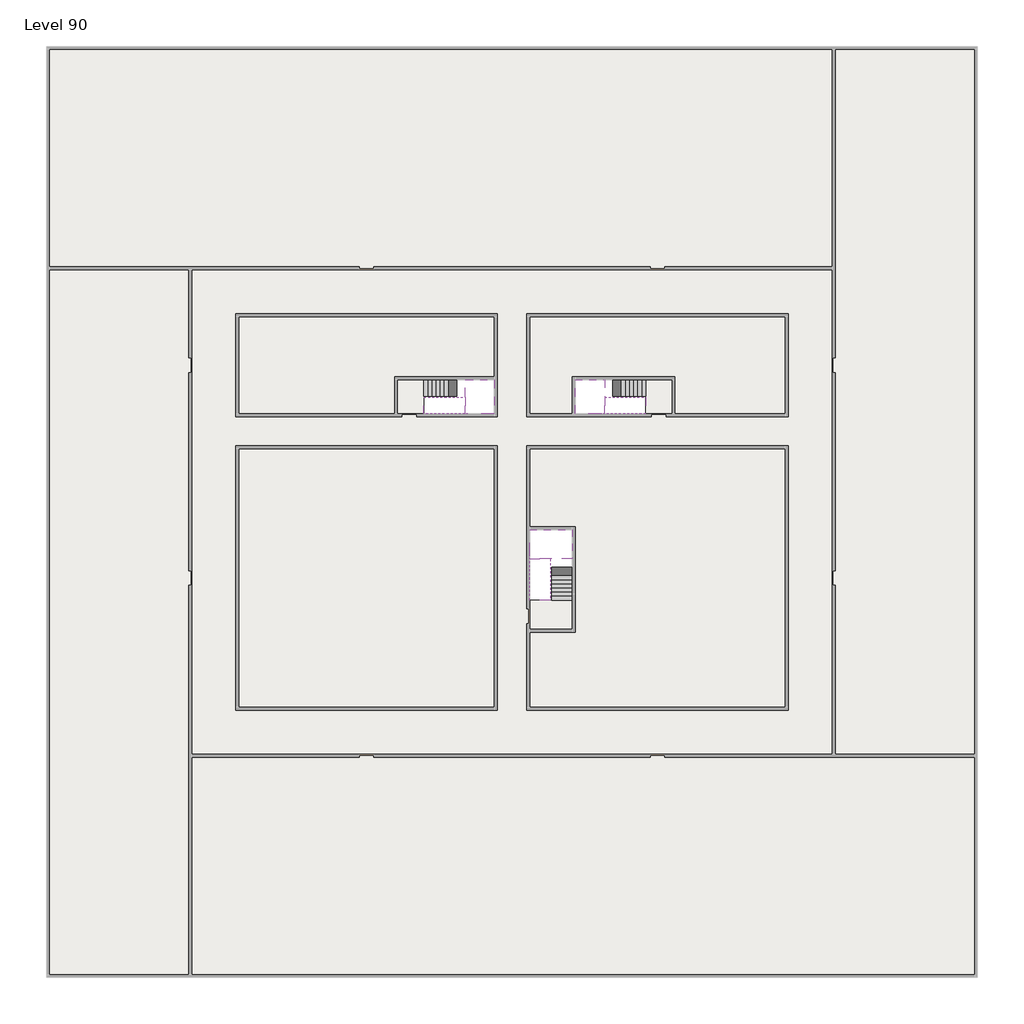
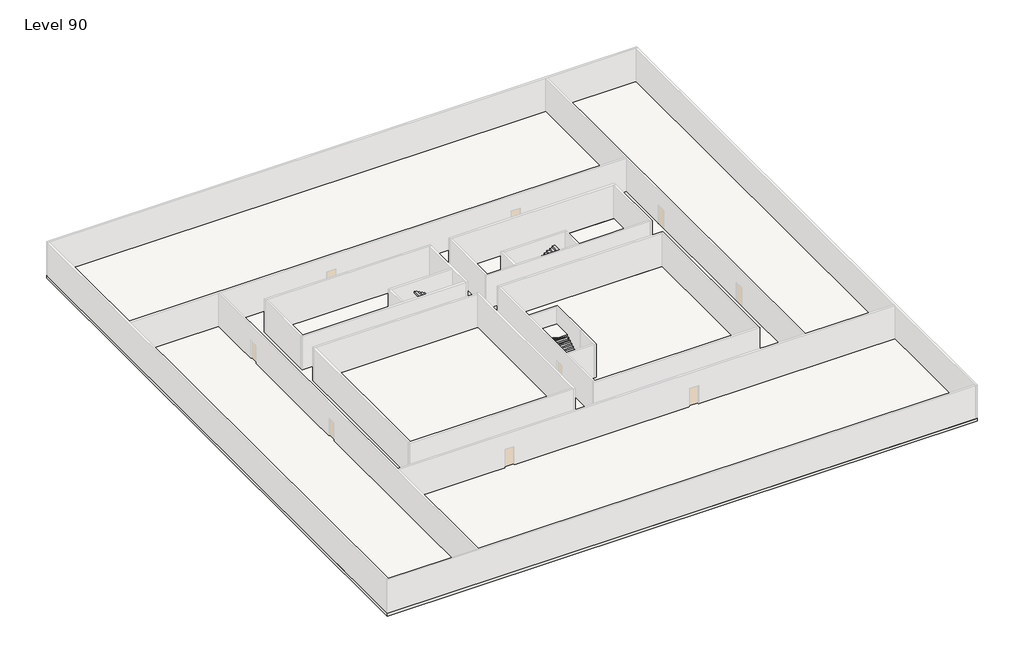
# One storey, part 2 of 2: 6 slabs, 6 stair flights.
"""IFC4 building model written with IfcOpenShell, lengths in millimetres."""

from ifc_helpers import new_model, si_unit, frame, origin, place, context, project, spatial, polyline, outline, extrude, faceted_brep, element, save

model = new_model("IFC4")

# Units and contexts
model_context = context("Model", 3, world=origin())
ifc_project = project(units=[si_unit("LENGTHUNIT", "METRE", prefix="MILLI")], contexts=[model_context])

# Site, building, storey
site = spatial("IfcSite", under=ifc_project)
building = spatial("IfcBuilding", under=site)
storey = spatial("IfcBuildingStorey", under=building, Name="Level 90", Elevation=338200.0)

# Slabs
placement = place(None, origin())
element("IfcSlab", 1, at=placement, inside=storey, context=model_context, shape_type="SweptSolid", body=[
    extrude(outline(polyline([(55890.1058784, -5518.09644), (55890.1058784, -68918.09644), (-7509.8941216, -68918.09644), (-7509.8941216, -5518.09644), (55890.1058784, -5518.09644)]), holes=[polyline([(22990.1058784, -23918.09644), (5590.1058784, -23918.09644), (5590.1058784, -30518.09644), (22990.1058784, -30518.09644), (22990.1058784, -23918.09644)]), polyline([(42990.1058784, -23918.09644), (25390.1058784, -23918.09644), (25390.1058784, -30518.09644), (42990.1058784, -30518.09644), (42990.1058784, -23918.09644)]), polyline([(25390.1058784, -50518.09644), (42790.1058784, -50518.09644), (42790.1058784, -32918.09644), (25390.1058784, -32918.09644), (25390.1058784, -50518.09644)]), polyline([(22990.1058784, -32918.09644), (5590.1058784, -32918.09644), (5590.1058784, -50518.09644), (22990.1058784, -50518.09644), (22990.1058784, -32918.09644)])]), frame((0.0, 0.0, 337900.0), z_axis=(0.0, 0.0, 1.0), x_axis=(1.0, 0.0, 0.0)), (0.0, 0.0, 1.0), 300.0),
])
element("IfcSlab", 2, at=placement, inside=storey, context=model_context, shape_type="SweptSolid", body=[
    extrude(outline(polyline([(22990.1058784, -23918.09644), (22990.1058784, -28018.09644), (16190.1058784, -28018.09644), (16190.1058784, -30518.09644), (5590.1058784, -30518.09644), (5590.1058784, -23918.09644), (22990.1058784, -23918.09644)])), frame((0.0, 0.0, 337900.0), z_axis=(0.0, 0.0, 1.0), x_axis=(1.0, 0.0, 0.0)), (0.0, 0.0, 1.0), 300.0),
    extrude(outline(polyline([(42790.1058784, -23918.09644), (42790.1058784, -30518.09644), (35290.1058784, -30518.09644), (35290.1058784, -28018.09644), (28490.1058784, -28018.09644), (28490.1058784, -30518.09644), (25390.1058784, -30518.09644), (25390.1058784, -23918.09644), (42790.1058784, -23918.09644)])), frame((0.0, 0.0, 337900.0), z_axis=(0.0, 0.0, 1.0), x_axis=(1.0, 0.0, 0.0)), (0.0, 0.0, 1.0), 300.0),
    extrude(outline(polyline([(22990.1058784, -32918.09644), (22990.1058784, -50518.09644), (5590.1058784, -50518.09644), (5590.1058784, -32918.09644), (22990.1058784, -32918.09644)])), frame((0.0, 0.0, 337900.0), z_axis=(0.0, 0.0, 1.0), x_axis=(1.0, 0.0, 0.0)), (0.0, 0.0, 1.0), 300.0),
    extrude(outline(polyline([(25390.1058784, -38218.09644), (25390.1058784, -32918.09644), (42790.1058784, -32918.09644), (42790.1058784, -50518.09644), (25390.1058784, -50518.09644), (25390.1058784, -45418.09644), (28490.1058784, -45418.09644), (28490.1058784, -38218.09644), (25390.1058784, -38218.09644)])), frame((0.0, 0.0, 337900.0), z_axis=(0.0, 0.0, 1.0), x_axis=(1.0, 0.0, 0.0)), (0.0, 0.0, 1.0), 300.0),
])
element("IfcSlab", 3, at=placement, inside=storey, context=model_context, shape_type="Brep", body=[
    faceted_brep([(26890.1058784, -40418.09644, 340100.0), (28290.1058784, -40418.09644, 340100.0), (28290.1058784, -40338.7100038, 340100.0), (28290.1058784, -38418.09644, 340100.0), (25390.1058784, -38418.09644, 340100.0), (25390.1058784, -40217.4828763, 340100.0), (25390.1058784, -40418.09644, 340100.0), (26790.1058784, -40418.09644, 340100.0), (26890.1058784, -40418.09644, 339800.0), (26890.1058784, -40418.09644, 339751.0278478), (28290.1058784, -40418.09644, 339751.0278478), (28290.1058784, -40418.09644, 339927.2727273), (28290.1058784, -40338.7100038, 339800.0), (28290.1058784, -38418.09644, 339800.0), (25390.1058784, -38418.09644, 339800.0), (25390.1058784, -40217.4828763, 339800.0), (25390.1058784, -40418.09644, 339923.7551205), (26790.1058784, -40418.09644, 339923.7551205), (26790.1058784, -40418.09644, 339800.0), (26790.1058784, -40217.4828763, 339800.0), (26890.1058784, -40338.7100038, 339800.0)], [[[0, 1, 2, 3, 4, 5, 6, 7]], [[1, 0, 8, 9, 10, 11]], [[1, 11, 10, 12, 13, 3, 2]], [[4, 3, 13, 14]], [[4, 14, 15, 16, 6, 5]], [[7, 6, 16, 17]], [[0, 7, 17, 18, 8]], [[18, 19, 15, 14, 13, 12, 20, 8]], [[19, 18, 17]], [[20, 12, 10, 9]], [[8, 20, 9]], [[15, 19, 17, 16]]]),
])
element("IfcSlab", 4, at=placement, inside=storey, context=model_context, shape_type="Brep", body=[
    faceted_brep([(20990.1058784, -28218.09644, 340100.0), (20990.1058784, -29318.09644, 340100.0), (20990.1058784, -29418.09644, 340100.0), (20990.1058784, -30518.09644, 340100.0), (21190.7194421, -30518.09644, 340100.0), (22990.1058784, -30518.09644, 340100.0), (22990.1058784, -28218.09644, 340100.0), (21069.4923146, -28218.09644, 340100.0), (20990.1058784, -28218.09644, 339927.2727273), (20990.1058784, -28218.09644, 339751.0278478), (20990.1058784, -29318.09644, 339751.0278478), (20990.1058784, -29318.09644, 339800.0), (20990.1058784, -29418.09644, 339800.0), (20990.1058784, -29418.09644, 339923.7551205), (20990.1058784, -30518.09644, 339923.7551205), (21190.7194421, -30518.09644, 339800.0), (22990.1058784, -30518.09644, 339800.0), (22990.1058784, -28218.09644, 339800.0), (21069.4923146, -28218.09644, 339800.0), (21190.7194421, -29418.09644, 339800.0), (21069.4923146, -29318.09644, 339800.0)], [[[0, 1, 2, 3, 4, 5, 6, 7]], [[1, 0, 8, 9, 10, 11]], [[2, 1, 11, 12, 13]], [[3, 2, 13, 14]], [[3, 14, 15, 16, 5, 4]], [[6, 5, 16, 17]], [[9, 8, 0, 7, 6, 17, 18]], [[19, 12, 11, 20, 18, 17, 16, 15]], [[12, 19, 13]], [[18, 20, 10, 9]], [[20, 11, 10]], [[19, 15, 14, 13]]]),
])
element("IfcSlab", 5, at=placement, inside=storey, context=model_context, shape_type="Brep", body=[
    faceted_brep([(30490.1058784, -29318.09644, 340100.0), (30490.1058784, -28218.09644, 340100.0), (30410.7194421, -28218.09644, 340100.0), (28490.1058784, -28218.09644, 340100.0), (28490.1058784, -30518.09644, 340100.0), (30289.4923146, -30518.09644, 340100.0), (30490.1058784, -30518.09644, 340100.0), (30490.1058784, -29418.09644, 340100.0), (30490.1058784, -29318.09644, 339800.0), (30490.1058784, -29318.09644, 339751.0278478), (30490.1058784, -28218.09644, 339751.0278478), (30490.1058784, -28218.09644, 339927.2727273), (30490.1058784, -29418.09644, 339923.7551205), (30490.1058784, -29418.09644, 339800.0), (30490.1058784, -30518.09644, 339923.7551205), (28490.1058784, -30518.09644, 339800.0), (30289.4923146, -30518.09644, 339800.0), (28490.1058784, -28218.09644, 339800.0), (30410.7194421, -28218.09644, 339800.0), (30289.4923146, -29418.09644, 339800.0), (30410.7194421, -29318.09644, 339800.0)], [[[0, 1, 2, 3, 4, 5, 6, 7]], [[1, 0, 8, 9, 10, 11]], [[0, 7, 12, 13, 8]], [[7, 6, 14, 12]], [[4, 15, 16, 14, 6, 5]], [[4, 3, 17, 15]], [[1, 11, 10, 18, 17, 3, 2]], [[13, 19, 16, 15, 17, 18, 20, 8]], [[20, 18, 10, 9]], [[8, 20, 9]], [[16, 19, 12, 14]], [[19, 13, 12]]]),
])
element("IfcSlab", 6, at=placement, inside=storey, context=model_context, shape_type="SweptSolid", body=[
    extrude(outline(polyline([(35090.1058784, -28218.09644), (35090.1058784, -30518.09644), (33290.1058784, -30518.09644), (33290.1058784, -28218.09644), (35090.1058784, -28218.09644)])), frame((0.0, 0.0, 337900.0), z_axis=(0.0, 0.0, 1.0), x_axis=(1.0, 0.0, 0.0)), (0.0, 0.0, 1.0), 300.0),
    extrude(outline(polyline([(18190.1058784, -28218.09644), (18190.1058784, -30518.09644), (16390.1058784, -30518.09644), (16390.1058784, -28218.09644), (18190.1058784, -28218.09644)])), frame((0.0, 0.0, 337900.0), z_axis=(0.0, 0.0, 1.0), x_axis=(1.0, 0.0, 0.0)), (0.0, 0.0, 1.0), 300.0),
    extrude(outline(polyline([(28290.1058784, -43218.09644), (28290.1058784, -45218.09644), (25390.1058784, -45218.09644), (25390.1058784, -43218.09644), (28290.1058784, -43218.09644)])), frame((0.0, 0.0, 337900.0), z_axis=(0.0, 0.0, 1.0), x_axis=(1.0, 0.0, 0.0)), (0.0, 0.0, 1.0), 300.0),
])

# Stair flights
element("IfcStairFlight", 7, at=placement, inside=storey, context=model_context, shape_type="Brep", body=[
    faceted_brep([(26890.1058784, -42938.09644, 338372.7272727), (26890.1058784, -43218.09644, 338372.7272727), (28290.1058784, -43218.09644, 338372.7272727), (28290.1058784, -42938.09644, 338372.7272727), (26890.1058784, -42938.09644, 338200.0), (26890.1058784, -43218.09644, 338200.0), (28290.1058784, -43218.09644, 338200.0), (28290.1058784, -42938.09644, 338200.0), (26890.1058784, -42658.09644, 338545.4545455), (26890.1058784, -42938.09644, 338545.4545455), (28290.1058784, -42938.09644, 338545.4545455), (28290.1058784, -42658.09644, 338545.4545455), (26890.1058784, -42658.09644, 338369.209666), (26890.1058784, -42932.3942143, 338200.0), (28290.1058784, -42932.3942143, 338200.0), (28290.1058784, -42658.09644, 338369.209666), (26890.1058784, -42378.09644, 338718.1818182), (26890.1058784, -42658.09644, 338718.1818182), (28290.1058784, -42658.09644, 338718.1818182), (28290.1058784, -42378.09644, 338718.1818182), (26890.1058784, -42378.09644, 338541.9369387), (28290.1058784, -42378.09644, 338541.9369387), (26890.1058784, -42098.09644, 338890.9090909), (26890.1058784, -42378.09644, 338890.9090909), (28290.1058784, -42378.09644, 338890.9090909), (28290.1058784, -42098.09644, 338890.9090909), (26890.1058784, -42098.09644, 338714.6642114), (28290.1058784, -42098.09644, 338714.6642114), (26890.1058784, -41818.09644, 339063.6363636), (26890.1058784, -42098.09644, 339063.6363636), (28290.1058784, -42098.09644, 339063.6363636), (28290.1058784, -41818.09644, 339063.6363636), (26890.1058784, -41818.09644, 338887.3914841), (28290.1058784, -41818.09644, 338887.3914841), (26890.1058784, -41538.09644, 339236.3636364), (26890.1058784, -41818.09644, 339236.3636364), (28290.1058784, -41818.09644, 339236.3636364), (28290.1058784, -41538.09644, 339236.3636364), (26890.1058784, -41538.09644, 339060.1187569), (28290.1058784, -41538.09644, 339060.1187569), (26890.1058784, -41258.09644, 339409.0909091), (26890.1058784, -41538.09644, 339409.0909091), (28290.1058784, -41538.09644, 339409.0909091), (28290.1058784, -41258.09644, 339409.0909091), (26890.1058784, -41258.09644, 339232.8460296), (28290.1058784, -41258.09644, 339232.8460296), (26890.1058784, -40978.09644, 339581.8181818), (26890.1058784, -41258.09644, 339581.8181818), (28290.1058784, -41258.09644, 339581.8181818), (28290.1058784, -40978.09644, 339581.8181818), (26890.1058784, -40978.09644, 339405.5733023), (28290.1058784, -40978.09644, 339405.5733023), (26890.1058784, -40698.09644, 339754.5454545), (26890.1058784, -40978.09644, 339754.5454545), (28290.1058784, -40978.09644, 339754.5454545), (28290.1058784, -40698.09644, 339754.5454545), (26890.1058784, -40698.09644, 339578.3005751), (28290.1058784, -40698.09644, 339578.3005751), (26890.1058784, -40418.09644, 339927.2727273), (26890.1058784, -40698.09644, 339927.2727273), (28290.1058784, -40698.09644, 339927.2727273), (28290.1058784, -40418.09644, 339927.2727273), (26890.1058784, -40418.09644, 339800.0), (26890.1058784, -40418.09644, 339751.0278478), (28290.1058784, -40418.09644, 339751.0278478)], [[[0, 1, 2, 3]], [[1, 0, 4, 5]], [[2, 1, 5, 6]], [[3, 2, 6, 7]], [[8, 9, 10, 11]], [[4, 0, 9, 8, 12, 13]], [[0, 3, 10, 9]], [[3, 7, 14, 15, 11, 10]], [[16, 17, 18, 19]], [[17, 16, 20, 12, 8]], [[8, 11, 18, 17]], [[19, 18, 11, 15, 21]], [[22, 23, 24, 25]], [[23, 22, 26, 20, 16]], [[16, 19, 24, 23]], [[25, 24, 19, 21, 27]], [[28, 29, 30, 31]], [[29, 28, 32, 26, 22]], [[22, 25, 30, 29]], [[31, 30, 25, 27, 33]], [[34, 35, 36, 37]], [[35, 34, 38, 32, 28]], [[28, 31, 36, 35]], [[37, 36, 31, 33, 39]], [[40, 41, 42, 43]], [[41, 40, 44, 38, 34]], [[34, 37, 42, 41]], [[43, 42, 37, 39, 45]], [[46, 47, 48, 49]], [[47, 46, 50, 44, 40]], [[40, 43, 48, 47]], [[49, 48, 43, 45, 51]], [[52, 53, 54, 55]], [[53, 52, 56, 50, 46]], [[46, 49, 54, 53]], [[55, 54, 49, 51, 57]], [[58, 59, 60, 61]], [[59, 58, 62, 63, 56, 52]], [[52, 55, 60, 59]], [[61, 60, 55, 57, 64]], [[58, 61, 64, 63, 62]], [[5, 4, 13, 14, 7, 6]], [[14, 13, 12, 20, 26, 32, 38, 44, 50, 56, 63, 64, 57, 51, 45, 39, 33, 27, 21, 15]]]),
])
element("IfcStairFlight", 8, at=placement, inside=storey, context=model_context, shape_type="Brep", body=[
    faceted_brep([(26790.1058784, -40698.09644, 340272.7272727), (26790.1058784, -40418.09644, 340272.7272727), (25390.1058784, -40418.09644, 340272.7272727), (25390.1058784, -40698.09644, 340272.7272727), (26790.1058784, -40698.09644, 340096.4823932), (26790.1058784, -40418.09644, 339923.7551205), (25390.1058784, -40418.09644, 339923.7551205), (25390.1058784, -40418.09644, 340100.0), (25390.1058784, -40698.09644, 340096.4823932), (26790.1058784, -40978.09644, 340445.4545455), (26790.1058784, -40698.09644, 340445.4545455), (25390.1058784, -40698.09644, 340445.4545455), (25390.1058784, -40978.09644, 340445.4545455), (26790.1058784, -40978.09644, 340269.209666), (25390.1058784, -40978.09644, 340269.209666), (26790.1058784, -41258.09644, 340618.1818182), (26790.1058784, -40978.09644, 340618.1818182), (25390.1058784, -40978.09644, 340618.1818182), (25390.1058784, -41258.09644, 340618.1818182), (26790.1058784, -41258.09644, 340441.9369387), (25390.1058784, -41258.09644, 340441.9369387), (26790.1058784, -41538.09644, 340790.9090909), (26790.1058784, -41258.09644, 340790.9090909), (25390.1058784, -41258.09644, 340790.9090909), (25390.1058784, -41538.09644, 340790.9090909), (26790.1058784, -41538.09644, 340614.6642114), (25390.1058784, -41538.09644, 340614.6642114), (26790.1058784, -41818.09644, 340963.6363636), (26790.1058784, -41538.09644, 340963.6363636), (25390.1058784, -41538.09644, 340963.6363636), (25390.1058784, -41818.09644, 340963.6363636), (26790.1058784, -41818.09644, 340787.3914841), (25390.1058784, -41818.09644, 340787.3914841), (26790.1058784, -42098.09644, 341136.3636364), (26790.1058784, -41818.09644, 341136.3636364), (25390.1058784, -41818.09644, 341136.3636364), (25390.1058784, -42098.09644, 341136.3636364), (26790.1058784, -42098.09644, 340960.1187569), (25390.1058784, -42098.09644, 340960.1187569), (26790.1058784, -42378.09644, 341309.0909091), (26790.1058784, -42098.09644, 341309.0909091), (25390.1058784, -42098.09644, 341309.0909091), (25390.1058784, -42378.09644, 341309.0909091), (26790.1058784, -42378.09644, 341132.8460296), (25390.1058784, -42378.09644, 341132.8460296), (26790.1058784, -42658.09644, 341481.8181818), (26790.1058784, -42378.09644, 341481.8181818), (25390.1058784, -42378.09644, 341481.8181818), (25390.1058784, -42658.09644, 341481.8181818), (26790.1058784, -42658.09644, 341305.5733023), (25390.1058784, -42658.09644, 341305.5733023), (26790.1058784, -42938.09644, 341654.5454545), (26790.1058784, -42658.09644, 341654.5454545), (25390.1058784, -42658.09644, 341654.5454545), (25390.1058784, -42938.09644, 341654.5454545), (26790.1058784, -42938.09644, 341478.3005751), (25390.1058784, -42938.09644, 341478.3005751), (26790.1058784, -43218.09644, 341827.2727273), (26790.1058784, -42938.09644, 341827.2727273), (25390.1058784, -42938.09644, 341827.2727273), (25390.1058784, -43218.09644, 341827.2727273), (26790.1058784, -43218.09644, 341651.0278478), (25390.1058784, -43218.09644, 341651.0278478)], [[[0, 1, 2, 3]], [[1, 0, 4, 5]], [[2, 1, 5, 6, 7]], [[3, 2, 7, 6, 8]], [[9, 10, 11, 12]], [[10, 9, 13, 4, 0]], [[11, 10, 0, 3]], [[12, 11, 3, 8, 14]], [[15, 16, 17, 18]], [[16, 15, 19, 13, 9]], [[17, 16, 9, 12]], [[18, 17, 12, 14, 20]], [[21, 22, 23, 24]], [[22, 21, 25, 19, 15]], [[23, 22, 15, 18]], [[24, 23, 18, 20, 26]], [[27, 28, 29, 30]], [[28, 27, 31, 25, 21]], [[29, 28, 21, 24]], [[30, 29, 24, 26, 32]], [[33, 34, 35, 36]], [[34, 33, 37, 31, 27]], [[35, 34, 27, 30]], [[36, 35, 30, 32, 38]], [[39, 40, 41, 42]], [[40, 39, 43, 37, 33]], [[41, 40, 33, 36]], [[42, 41, 36, 38, 44]], [[45, 46, 47, 48]], [[46, 45, 49, 43, 39]], [[47, 46, 39, 42]], [[48, 47, 42, 44, 50]], [[51, 52, 53, 54]], [[52, 51, 55, 49, 45]], [[53, 52, 45, 48]], [[54, 53, 48, 50, 56]], [[57, 58, 59, 60]], [[58, 57, 61, 55, 51]], [[59, 58, 51, 54]], [[60, 59, 54, 56, 62]], [[57, 60, 62, 61]], [[5, 4, 13, 19, 25, 31, 37, 43, 49, 55, 61, 62, 56, 50, 44, 38, 32, 26, 20, 14, 8, 6]]]),
])
element("IfcStairFlight", 9, at=placement, inside=storey, context=model_context, shape_type="Brep", body=[
    faceted_brep([(18470.1058784, -28218.09644, 338372.7272727), (18190.1058784, -28218.09644, 338372.7272727), (18190.1058784, -29318.09644, 338372.7272727), (18470.1058784, -29318.09644, 338372.7272727), (18470.1058784, -28218.09644, 338200.0), (18190.1058784, -28218.09644, 338200.0), (18190.1058784, -29318.09644, 338200.0), (18470.1058784, -29318.09644, 338200.0), (18750.1058784, -28218.09644, 338545.4545455), (18470.1058784, -28218.09644, 338545.4545455), (18470.1058784, -29318.09644, 338545.4545455), (18750.1058784, -29318.09644, 338545.4545455), (18750.1058784, -28218.09644, 338369.209666), (18475.8081041, -28218.09644, 338200.0), (18475.8081041, -29318.09644, 338200.0), (18750.1058784, -29318.09644, 338369.209666), (19030.1058784, -28218.09644, 338718.1818182), (18750.1058784, -28218.09644, 338718.1818182), (18750.1058784, -29318.09644, 338718.1818182), (19030.1058784, -29318.09644, 338718.1818182), (19030.1058784, -28218.09644, 338541.9369387), (19030.1058784, -29318.09644, 338541.9369387), (19310.1058784, -28218.09644, 338890.9090909), (19030.1058784, -28218.09644, 338890.9090909), (19030.1058784, -29318.09644, 338890.9090909), (19310.1058784, -29318.09644, 338890.9090909), (19310.1058784, -28218.09644, 338714.6642114), (19310.1058784, -29318.09644, 338714.6642114), (19590.1058784, -28218.09644, 339063.6363636), (19310.1058784, -28218.09644, 339063.6363636), (19310.1058784, -29318.09644, 339063.6363636), (19590.1058784, -29318.09644, 339063.6363636), (19590.1058784, -28218.09644, 338887.3914841), (19590.1058784, -29318.09644, 338887.3914841), (19870.1058784, -28218.09644, 339236.3636364), (19590.1058784, -28218.09644, 339236.3636364), (19590.1058784, -29318.09644, 339236.3636364), (19870.1058784, -29318.09644, 339236.3636364), (19870.1058784, -28218.09644, 339060.1187569), (19870.1058784, -29318.09644, 339060.1187569), (20150.1058784, -28218.09644, 339409.0909091), (19870.1058784, -28218.09644, 339409.0909091), (19870.1058784, -29318.09644, 339409.0909091), (20150.1058784, -29318.09644, 339409.0909091), (20150.1058784, -28218.09644, 339232.8460296), (20150.1058784, -29318.09644, 339232.8460296), (20430.1058784, -28218.09644, 339581.8181818), (20150.1058784, -28218.09644, 339581.8181818), (20150.1058784, -29318.09644, 339581.8181818), (20430.1058784, -29318.09644, 339581.8181818), (20430.1058784, -28218.09644, 339405.5733023), (20430.1058784, -29318.09644, 339405.5733023), (20710.1058784, -28218.09644, 339754.5454545), (20430.1058784, -28218.09644, 339754.5454545), (20430.1058784, -29318.09644, 339754.5454545), (20710.1058784, -29318.09644, 339754.5454545), (20710.1058784, -28218.09644, 339578.3005751), (20710.1058784, -29318.09644, 339578.3005751), (20990.1058784, -28218.09644, 339927.2727273), (20710.1058784, -28218.09644, 339927.2727273), (20710.1058784, -29318.09644, 339927.2727273), (20990.1058784, -29318.09644, 339927.2727273), (20990.1058784, -28218.09644, 339751.0278478), (20990.1058784, -29318.09644, 339751.0278478), (20990.1058784, -29318.09644, 339800.0)], [[[0, 1, 2, 3]], [[1, 0, 4, 5]], [[2, 1, 5, 6]], [[3, 2, 6, 7]], [[8, 9, 10, 11]], [[4, 0, 9, 8, 12, 13]], [[0, 3, 10, 9]], [[3, 7, 14, 15, 11, 10]], [[16, 17, 18, 19]], [[17, 16, 20, 12, 8]], [[8, 11, 18, 17]], [[19, 18, 11, 15, 21]], [[22, 23, 24, 25]], [[23, 22, 26, 20, 16]], [[16, 19, 24, 23]], [[25, 24, 19, 21, 27]], [[28, 29, 30, 31]], [[29, 28, 32, 26, 22]], [[22, 25, 30, 29]], [[31, 30, 25, 27, 33]], [[34, 35, 36, 37]], [[35, 34, 38, 32, 28]], [[28, 31, 36, 35]], [[37, 36, 31, 33, 39]], [[40, 41, 42, 43]], [[41, 40, 44, 38, 34]], [[34, 37, 42, 41]], [[43, 42, 37, 39, 45]], [[46, 47, 48, 49]], [[47, 46, 50, 44, 40]], [[40, 43, 48, 47]], [[49, 48, 43, 45, 51]], [[52, 53, 54, 55]], [[53, 52, 56, 50, 46]], [[46, 49, 54, 53]], [[55, 54, 49, 51, 57]], [[58, 59, 60, 61]], [[59, 58, 62, 56, 52]], [[52, 55, 60, 59]], [[61, 60, 55, 57, 63, 64]], [[58, 61, 64, 63, 62]], [[5, 4, 13, 14, 7, 6]], [[14, 13, 12, 20, 26, 32, 38, 44, 50, 56, 62, 63, 57, 51, 45, 39, 33, 27, 21, 15]]]),
])
element("IfcStairFlight", 10, at=placement, inside=storey, context=model_context, shape_type="Brep", body=[
    faceted_brep([(20710.1058784, -30518.09644, 340272.7272727), (20990.1058784, -30518.09644, 340272.7272727), (20990.1058784, -29418.09644, 340272.7272727), (20710.1058784, -29418.09644, 340272.7272727), (20710.1058784, -30518.09644, 340096.4823932), (20990.1058784, -30518.09644, 339923.7551205), (20990.1058784, -30518.09644, 340100.0), (20990.1058784, -29418.09644, 339923.7551205), (20710.1058784, -29418.09644, 340096.4823932), (20430.1058784, -30518.09644, 340445.4545455), (20710.1058784, -30518.09644, 340445.4545455), (20710.1058784, -29418.09644, 340445.4545455), (20430.1058784, -29418.09644, 340445.4545455), (20430.1058784, -30518.09644, 340269.209666), (20430.1058784, -29418.09644, 340269.209666), (20150.1058784, -30518.09644, 340618.1818182), (20430.1058784, -30518.09644, 340618.1818182), (20430.1058784, -29418.09644, 340618.1818182), (20150.1058784, -29418.09644, 340618.1818182), (20150.1058784, -30518.09644, 340441.9369387), (20150.1058784, -29418.09644, 340441.9369387), (19870.1058784, -30518.09644, 340790.9090909), (20150.1058784, -30518.09644, 340790.9090909), (20150.1058784, -29418.09644, 340790.9090909), (19870.1058784, -29418.09644, 340790.9090909), (19870.1058784, -30518.09644, 340614.6642114), (19870.1058784, -29418.09644, 340614.6642114), (19590.1058784, -30518.09644, 340963.6363636), (19870.1058784, -30518.09644, 340963.6363636), (19870.1058784, -29418.09644, 340963.6363636), (19590.1058784, -29418.09644, 340963.6363636), (19590.1058784, -30518.09644, 340787.3914841), (19590.1058784, -29418.09644, 340787.3914841), (19310.1058784, -30518.09644, 341136.3636364), (19590.1058784, -30518.09644, 341136.3636364), (19590.1058784, -29418.09644, 341136.3636364), (19310.1058784, -29418.09644, 341136.3636364), (19310.1058784, -30518.09644, 340960.1187569), (19310.1058784, -29418.09644, 340960.1187569), (19030.1058784, -30518.09644, 341309.0909091), (19310.1058784, -30518.09644, 341309.0909091), (19310.1058784, -29418.09644, 341309.0909091), (19030.1058784, -29418.09644, 341309.0909091), (19030.1058784, -30518.09644, 341132.8460296), (19030.1058784, -29418.09644, 341132.8460296), (18750.1058784, -30518.09644, 341481.8181818), (19030.1058784, -30518.09644, 341481.8181818), (19030.1058784, -29418.09644, 341481.8181818), (18750.1058784, -29418.09644, 341481.8181818), (18750.1058784, -30518.09644, 341305.5733023), (18750.1058784, -29418.09644, 341305.5733023), (18470.1058784, -30518.09644, 341654.5454545), (18750.1058784, -30518.09644, 341654.5454545), (18750.1058784, -29418.09644, 341654.5454545), (18470.1058784, -29418.09644, 341654.5454545), (18470.1058784, -30518.09644, 341478.3005751), (18470.1058784, -29418.09644, 341478.3005751), (18190.1058784, -30518.09644, 341827.2727273), (18470.1058784, -30518.09644, 341827.2727273), (18470.1058784, -29418.09644, 341827.2727273), (18190.1058784, -29418.09644, 341827.2727273), (18190.1058784, -30518.09644, 341651.0278478), (18190.1058784, -29418.09644, 341651.0278478)], [[[0, 1, 2, 3]], [[1, 0, 4, 5, 6]], [[2, 1, 6, 5, 7]], [[3, 2, 7, 8]], [[9, 10, 11, 12]], [[10, 9, 13, 4, 0]], [[11, 10, 0, 3]], [[12, 11, 3, 8, 14]], [[15, 16, 17, 18]], [[16, 15, 19, 13, 9]], [[17, 16, 9, 12]], [[18, 17, 12, 14, 20]], [[21, 22, 23, 24]], [[22, 21, 25, 19, 15]], [[23, 22, 15, 18]], [[24, 23, 18, 20, 26]], [[27, 28, 29, 30]], [[28, 27, 31, 25, 21]], [[29, 28, 21, 24]], [[30, 29, 24, 26, 32]], [[33, 34, 35, 36]], [[34, 33, 37, 31, 27]], [[35, 34, 27, 30]], [[36, 35, 30, 32, 38]], [[39, 40, 41, 42]], [[40, 39, 43, 37, 33]], [[41, 40, 33, 36]], [[42, 41, 36, 38, 44]], [[45, 46, 47, 48]], [[46, 45, 49, 43, 39]], [[47, 46, 39, 42]], [[48, 47, 42, 44, 50]], [[51, 52, 53, 54]], [[52, 51, 55, 49, 45]], [[53, 52, 45, 48]], [[54, 53, 48, 50, 56]], [[57, 58, 59, 60]], [[58, 57, 61, 55, 51]], [[59, 58, 51, 54]], [[60, 59, 54, 56, 62]], [[57, 60, 62, 61]], [[5, 4, 13, 19, 25, 31, 37, 43, 49, 55, 61, 62, 56, 50, 44, 38, 32, 26, 20, 14, 8, 7]]]),
])
element("IfcStairFlight", 11, at=placement, inside=storey, context=model_context, shape_type="Brep", body=[
    faceted_brep([(33010.1058784, -29318.09644, 338372.7272727), (33290.1058784, -29318.09644, 338372.7272727), (33290.1058784, -28218.09644, 338372.7272727), (33010.1058784, -28218.09644, 338372.7272727), (33290.1058784, -28218.09644, 338200.0), (33010.1058784, -28218.09644, 338200.0), (33290.1058784, -29318.09644, 338200.0), (33010.1058784, -29318.09644, 338200.0), (32730.1058784, -29318.09644, 338545.4545455), (33010.1058784, -29318.09644, 338545.4545455), (33010.1058784, -28218.09644, 338545.4545455), (32730.1058784, -28218.09644, 338545.4545455), (33004.4036527, -28218.09644, 338200.0), (32730.1058784, -28218.09644, 338369.209666), (32730.1058784, -29318.09644, 338369.209666), (33004.4036527, -29318.09644, 338200.0), (32450.1058784, -29318.09644, 338718.1818182), (32730.1058784, -29318.09644, 338718.1818182), (32730.1058784, -28218.09644, 338718.1818182), (32450.1058784, -28218.09644, 338718.1818182), (32450.1058784, -28218.09644, 338541.9369387), (32450.1058784, -29318.09644, 338541.9369387), (32170.1058784, -29318.09644, 338890.9090909), (32450.1058784, -29318.09644, 338890.9090909), (32450.1058784, -28218.09644, 338890.9090909), (32170.1058784, -28218.09644, 338890.9090909), (32170.1058784, -28218.09644, 338714.6642114), (32170.1058784, -29318.09644, 338714.6642114), (31890.1058784, -29318.09644, 339063.6363636), (32170.1058784, -29318.09644, 339063.6363636), (32170.1058784, -28218.09644, 339063.6363636), (31890.1058784, -28218.09644, 339063.6363636), (31890.1058784, -28218.09644, 338887.3914841), (31890.1058784, -29318.09644, 338887.3914841), (31610.1058784, -29318.09644, 339236.3636364), (31890.1058784, -29318.09644, 339236.3636364), (31890.1058784, -28218.09644, 339236.3636364), (31610.1058784, -28218.09644, 339236.3636364), (31610.1058784, -28218.09644, 339060.1187569), (31610.1058784, -29318.09644, 339060.1187569), (31330.1058784, -29318.09644, 339409.0909091), (31610.1058784, -29318.09644, 339409.0909091), (31610.1058784, -28218.09644, 339409.0909091), (31330.1058784, -28218.09644, 339409.0909091), (31330.1058784, -28218.09644, 339232.8460296), (31330.1058784, -29318.09644, 339232.8460296), (31050.1058784, -29318.09644, 339581.8181818), (31330.1058784, -29318.09644, 339581.8181818), (31330.1058784, -28218.09644, 339581.8181818), (31050.1058784, -28218.09644, 339581.8181818), (31050.1058784, -28218.09644, 339405.5733023), (31050.1058784, -29318.09644, 339405.5733023), (30770.1058784, -29318.09644, 339754.5454545), (31050.1058784, -29318.09644, 339754.5454545), (31050.1058784, -28218.09644, 339754.5454545), (30770.1058784, -28218.09644, 339754.5454545), (30770.1058784, -28218.09644, 339578.3005751), (30770.1058784, -29318.09644, 339578.3005751), (30490.1058784, -29318.09644, 339927.2727273), (30770.1058784, -29318.09644, 339927.2727273), (30770.1058784, -28218.09644, 339927.2727273), (30490.1058784, -28218.09644, 339927.2727273), (30490.1058784, -28218.09644, 339751.0278478), (30490.1058784, -29318.09644, 339800.0), (30490.1058784, -29318.09644, 339751.0278478)], [[[0, 1, 2, 3]], [[3, 2, 4, 5]], [[2, 1, 6, 4]], [[1, 0, 7, 6]], [[8, 9, 10, 11]], [[3, 5, 12, 13, 11, 10]], [[0, 3, 10, 9]], [[7, 0, 9, 8, 14, 15]], [[16, 17, 18, 19]], [[19, 18, 11, 13, 20]], [[8, 11, 18, 17]], [[17, 16, 21, 14, 8]], [[22, 23, 24, 25]], [[25, 24, 19, 20, 26]], [[16, 19, 24, 23]], [[23, 22, 27, 21, 16]], [[28, 29, 30, 31]], [[31, 30, 25, 26, 32]], [[22, 25, 30, 29]], [[29, 28, 33, 27, 22]], [[34, 35, 36, 37]], [[37, 36, 31, 32, 38]], [[28, 31, 36, 35]], [[35, 34, 39, 33, 28]], [[40, 41, 42, 43]], [[43, 42, 37, 38, 44]], [[34, 37, 42, 41]], [[41, 40, 45, 39, 34]], [[46, 47, 48, 49]], [[49, 48, 43, 44, 50]], [[40, 43, 48, 47]], [[47, 46, 51, 45, 40]], [[52, 53, 54, 55]], [[55, 54, 49, 50, 56]], [[46, 49, 54, 53]], [[53, 52, 57, 51, 46]], [[58, 59, 60, 61]], [[61, 60, 55, 56, 62]], [[52, 55, 60, 59]], [[59, 58, 63, 64, 57, 52]], [[58, 61, 62, 64, 63]], [[6, 7, 15, 12, 5, 4]], [[12, 15, 14, 21, 27, 33, 39, 45, 51, 57, 64, 62, 56, 50, 44, 38, 32, 26, 20, 13]]]),
])
element("IfcStairFlight", 12, at=placement, inside=storey, context=model_context, shape_type="Brep", body=[
    faceted_brep([(30770.1058784, -29418.09644, 340272.7272727), (30490.1058784, -29418.09644, 340272.7272727), (30490.1058784, -30518.09644, 340272.7272727), (30770.1058784, -30518.09644, 340272.7272727), (30490.1058784, -30518.09644, 340100.0), (30490.1058784, -30518.09644, 339923.7551205), (30770.1058784, -30518.09644, 340096.4823932), (30490.1058784, -29418.09644, 339923.7551205), (30770.1058784, -29418.09644, 340096.4823932), (31050.1058784, -29418.09644, 340445.4545455), (30770.1058784, -29418.09644, 340445.4545455), (30770.1058784, -30518.09644, 340445.4545455), (31050.1058784, -30518.09644, 340445.4545455), (31050.1058784, -30518.09644, 340269.209666), (31050.1058784, -29418.09644, 340269.209666), (31330.1058784, -29418.09644, 340618.1818182), (31050.1058784, -29418.09644, 340618.1818182), (31050.1058784, -30518.09644, 340618.1818182), (31330.1058784, -30518.09644, 340618.1818182), (31330.1058784, -30518.09644, 340441.9369387), (31330.1058784, -29418.09644, 340441.9369387), (31610.1058784, -29418.09644, 340790.9090909), (31330.1058784, -29418.09644, 340790.9090909), (31330.1058784, -30518.09644, 340790.9090909), (31610.1058784, -30518.09644, 340790.9090909), (31610.1058784, -30518.09644, 340614.6642114), (31610.1058784, -29418.09644, 340614.6642114), (31890.1058784, -29418.09644, 340963.6363636), (31610.1058784, -29418.09644, 340963.6363636), (31610.1058784, -30518.09644, 340963.6363636), (31890.1058784, -30518.09644, 340963.6363636), (31890.1058784, -30518.09644, 340787.3914841), (31890.1058784, -29418.09644, 340787.3914841), (32170.1058784, -29418.09644, 341136.3636364), (31890.1058784, -29418.09644, 341136.3636364), (31890.1058784, -30518.09644, 341136.3636364), (32170.1058784, -30518.09644, 341136.3636364), (32170.1058784, -30518.09644, 340960.1187569), (32170.1058784, -29418.09644, 340960.1187569), (32450.1058784, -29418.09644, 341309.0909091), (32170.1058784, -29418.09644, 341309.0909091), (32170.1058784, -30518.09644, 341309.0909091), (32450.1058784, -30518.09644, 341309.0909091), (32450.1058784, -30518.09644, 341132.8460296), (32450.1058784, -29418.09644, 341132.8460296), (32730.1058784, -29418.09644, 341481.8181818), (32450.1058784, -29418.09644, 341481.8181818), (32450.1058784, -30518.09644, 341481.8181818), (32730.1058784, -30518.09644, 341481.8181818), (32730.1058784, -30518.09644, 341305.5733023), (32730.1058784, -29418.09644, 341305.5733023), (33010.1058784, -29418.09644, 341654.5454545), (32730.1058784, -29418.09644, 341654.5454545), (32730.1058784, -30518.09644, 341654.5454545), (33010.1058784, -30518.09644, 341654.5454545), (33010.1058784, -30518.09644, 341478.3005751), (33010.1058784, -29418.09644, 341478.3005751), (33290.1058784, -29418.09644, 341827.2727273), (33010.1058784, -29418.09644, 341827.2727273), (33010.1058784, -30518.09644, 341827.2727273), (33290.1058784, -30518.09644, 341827.2727273), (33290.1058784, -30518.09644, 341651.0278478), (33290.1058784, -29418.09644, 341651.0278478)], [[[0, 1, 2, 3]], [[3, 2, 4, 5, 6]], [[2, 1, 7, 5, 4]], [[1, 0, 8, 7]], [[9, 10, 11, 12]], [[12, 11, 3, 6, 13]], [[11, 10, 0, 3]], [[10, 9, 14, 8, 0]], [[15, 16, 17, 18]], [[18, 17, 12, 13, 19]], [[17, 16, 9, 12]], [[16, 15, 20, 14, 9]], [[21, 22, 23, 24]], [[24, 23, 18, 19, 25]], [[23, 22, 15, 18]], [[22, 21, 26, 20, 15]], [[27, 28, 29, 30]], [[30, 29, 24, 25, 31]], [[29, 28, 21, 24]], [[28, 27, 32, 26, 21]], [[33, 34, 35, 36]], [[36, 35, 30, 31, 37]], [[35, 34, 27, 30]], [[34, 33, 38, 32, 27]], [[39, 40, 41, 42]], [[42, 41, 36, 37, 43]], [[41, 40, 33, 36]], [[40, 39, 44, 38, 33]], [[45, 46, 47, 48]], [[48, 47, 42, 43, 49]], [[47, 46, 39, 42]], [[46, 45, 50, 44, 39]], [[51, 52, 53, 54]], [[54, 53, 48, 49, 55]], [[53, 52, 45, 48]], [[52, 51, 56, 50, 45]], [[57, 58, 59, 60]], [[60, 59, 54, 55, 61]], [[59, 58, 51, 54]], [[58, 57, 62, 56, 51]], [[57, 60, 61, 62]], [[7, 8, 14, 20, 26, 32, 38, 44, 50, 56, 62, 61, 55, 49, 43, 37, 31, 25, 19, 13, 6, 5]]]),
])

save(model, "model.ifc")
